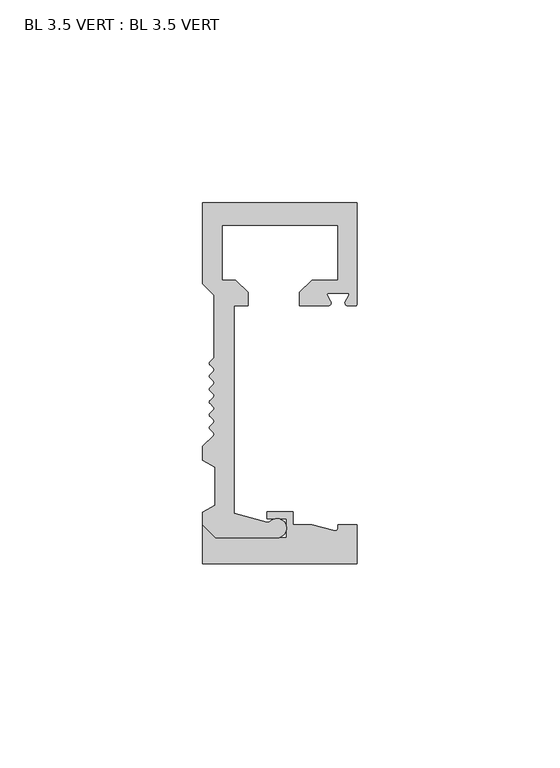
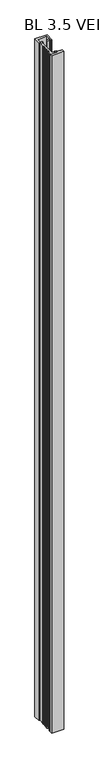
"""IFC4 building model written with IfcOpenShell, lengths in millimetres: furniture geometry, BL 3.5 VERT : BL 3.5 VERT."""

from ifc_helpers import new_model, si_unit, point, frame, frame_2d, origin, origin_with_axes, place, context, project, spatial, polyline, circle_curve, trimmed, segment, composite_curve, outline, extrude, source, transform, mapped, element, save
from ifc_brep_helpers import plane_surface, cylinder_surface, revolved_surface, advanced_brep


def bl_3_5_vert_bl_3_5_vert_9d1a55cc(model_context):
    return source(origin(), model_context, "Body", "SolidModel", [
        advanced_brep(
        [(-11.28848, -32.1005075, 2209.8), (-11.28848, 19.0595255, 2209.8), (-7.88234, 19.0595255, 2209.8), (-7.88234, 22.3615255, 2209.8), (-10.93034, 25.4095256, 2209.8), (-14.23234, 25.4095256, 2209.8), (-14.23234, 38.9032757, 2209.8), (14.3680602, 38.9032757, 2209.8), (14.3680602, 25.4095256, 2209.8), (7.8910601, 25.4095256, 2209.8), (4.8430601, 22.3615255, 2209.8), (4.8430601, 19.0595255, 2209.8), (11.8534602, 19.0595255, 2209.8), (12.5353686, 20.2406255, 2209.8), (11.7141456, 21.6630255, 2209.8), (12.0441012, 22.2345255, 2209.8), (16.6666192, 22.2345255, 2209.8), (16.9965748, 21.6630255, 2209.8), (16.1753518, 20.2406255, 2209.8), (16.8572602, 19.0595255, 2209.8), (18.5500017, 19.0595255, 2209.8), (19.0500017, 19.5595255, 2209.8), (19.0500017, 44.4595257, 2209.8), (-19.0500017, 44.4595257, 2209.8), (-19.0500017, 24.507571, 2209.8), (-16.1961039, 21.6536732, 2209.8), (-16.1961039, 6.7275074, 2209.8), (-16.4889971, 6.0204007, 2209.8), (-17.2722267, 5.2371711, 2209.8), (-17.2722267, 4.5300643, 2209.8), (-16.3918334, 3.6496711, 2209.8), (-16.3918334, 2.9425643, 2209.8), (-17.2722267, 2.0621711, 2209.8), (-17.2722267, 1.3550643, 2209.8), (-16.3918334, 0.4746711, 2209.8), (-16.3918334, -0.2324357, 2209.8), (-17.2722267, -1.112829, 2209.8), (-17.2722267, -1.8199357, 2209.8), (-16.3918334, -2.700329, 2209.8), (-16.3918334, -3.4074358, 2209.8), (-17.2722267, -4.287829, 2209.8), (-17.2722267, -4.9949358, 2209.8), (-16.3918334, -5.875329, 2209.8), (-16.3918334, -6.5824358, 2209.8), (-17.2722267, -7.462829, 2209.8), (-17.2722267, -8.1699358, 2209.8), (-16.3918334, -9.050329, 2209.8), (-16.3918334, -9.7574358, 2209.8), (-17.2722267, -10.637829, 2209.8), (-17.2722267, -11.3449358, 2209.8), (-16.3918334, -12.225329, 2209.8), (-16.3918334, -12.9324358, 2209.8), (-19.0500017, -15.5906041, 2209.8), (-19.0500017, -19.0012949, 2209.8), (-16.03574, -20.7415796, 2209.8), (-16.03574, -30.0393701, 2209.8), (-19.0500017, -31.7796548, 2209.8), (-19.0500017, -34.9345249, 2209.8), (-15.8750014, -38.1095251, 2209.8), (-0.7195399, -38.1095251, 2209.8), (-2.397397, -34.0655108, 2209.8), (-3.1726876, -34.2751275, 2209.8), (-11.28848, -32.1005075, 0.0), (-3.1726876, -34.2751275, 0.0), (-2.397397, -34.0655108, 0.0), (-0.7195399, -38.090475, 0.0), (-15.8750014, -38.1095251, 0.0), (-19.0500017, -34.9345249, 0.0), (-19.0500017, -31.7796548, 0.0), (-16.03574, -30.0393701, 0.0), (-16.03574, -20.7415796, 0.0), (-19.0500017, -19.0012949, 0.0), (-19.0500017, -15.5906041, 0.0), (-16.3918334, -12.9324358, 0.0), (-16.3918334, -12.225329, 0.0), (-17.2722267, -11.3449358, 0.0), (-17.2722267, -10.637829, 0.0), (-16.3918334, -9.7574358, 0.0), (-16.3918334, -9.050329, 0.0), (-17.2722267, -8.1699358, 0.0), (-17.2722267, -7.462829, 0.0), (-16.3918334, -6.5824358, 0.0), (-16.3918334, -5.875329, 0.0), (-17.2722267, -4.9949358, 0.0), (-17.2722267, -4.287829, 0.0), (-16.3918334, -3.4074358, 0.0), (-16.3918334, -2.700329, 0.0), (-17.2722267, -1.8199357, 0.0), (-17.2722267, -1.112829, 0.0), (-16.3918334, -0.2324357, 0.0), (-16.3918334, 0.4746711, 0.0), (-17.2722267, 1.3550643, 0.0), (-17.2722267, 2.0621711, 0.0), (-16.3918334, 2.9425643, 0.0), (-16.3918334, 3.6496711, 0.0), (-17.2722267, 4.5300643, 0.0), (-17.2722267, 5.2371711, 0.0), (-16.4889971, 6.0204007, 0.0), (-16.1961039, 6.7275074, 0.0), (-16.1961039, 21.6536732, 0.0), (-19.0500017, 24.507571, 0.0), (-19.0500017, 44.4595257, 0.0), (19.0500017, 44.4595257, 0.0), (19.0500017, 19.5595255, 0.0), (18.5500017, 19.0595255, 0.0), (16.8572602, 19.0595255, 0.0), (16.1753518, 20.2406255, 0.0), (16.9965748, 21.6630255, 0.0), (16.6666192, 22.2345255, 0.0), (12.0441012, 22.2345255, 0.0), (11.7141456, 21.6630255, 0.0), (12.5353686, 20.2406255, 0.0), (11.8534602, 19.0595255, 0.0), (4.8430601, 19.0595255, 0.0), (4.8430601, 22.3615255, 0.0), (7.8910601, 25.4095256, 0.0), (14.3680602, 25.4095256, 0.0), (14.3680602, 38.9032757, 0.0), (-14.23234, 38.9032757, 0.0), (-14.23234, 25.4095256, 0.0), (-10.93034, 25.4095256, 0.0), (-7.88234, 22.3615255, 0.0), (-7.88234, 19.0595255, 0.0), (-11.28848, 19.0595255, 0.0)],
        [
            (0, 1),
            (1, 2),
            (2, 3),
            (3, 4),
            (4, 5),
            (5, 6),
            (6, 7),
            (7, 8),
            (8, 9),
            (9, 10),
            (10, 11),
            (11, 12),
            (12, 13, circle_curve(frame((11.8534602, 19.8469255, 2209.8), z_axis=(0.0, 0.0, 1.0), x_axis=(1.0, 0.0, 0.0)), 0.7874)),
            (13, 14),
            (14, 15, circle_curve(frame((12.0441012, 21.8535255, 2209.8), z_axis=(0.0, 0.0, -1.0), x_axis=(1.0, 0.0, 0.0)), 0.381)),
            (15, 16),
            (16, 17, circle_curve(frame((16.6666192, 21.8535255, 2209.8), z_axis=(0.0, 0.0, -1.0), x_axis=(1.0, 0.0, 0.0)), 0.381)),
            (17, 18),
            (18, 19, circle_curve(frame((16.8572602, 19.8469255, 2209.8), z_axis=(0.0, 0.0, 1.0), x_axis=(1.0, 0.0, 0.0)), 0.7874)),
            (19, 20),
            (20, 21, circle_curve(frame((18.5500017, 19.5595255, 2209.8), z_axis=(0.0, 0.0, 1.0), x_axis=(1.0, 0.0, 0.0)), 0.5)),
            (21, 22),
            (22, 23),
            (23, 24),
            (24, 25),
            (25, 26),
            (26, 27, circle_curve(frame((-17.1961039, 6.7275074, 2209.8), z_axis=(0.0, 0.0, -1.0), x_axis=(1.0, 0.0, 0.0)), 1.0)),
            (27, 28),
            (28, 29, circle_curve(frame((-16.9186733, 4.8836177, 2209.8), z_axis=(0.0, 0.0, 1.0), x_axis=(1.0, 0.0, 0.0)), 0.5)),
            (29, 30),
            (30, 31, circle_curve(frame((-16.7453868, 3.2961177, 2209.8), z_axis=(0.0, 0.0, -1.0), x_axis=(1.0, 0.0, 0.0)), 0.5)),
            (31, 32),
            (32, 33, circle_curve(frame((-16.9186733, 1.7086177, 2209.8), z_axis=(0.0, 0.0, 1.0), x_axis=(1.0, 0.0, 0.0)), 0.5)),
            (33, 34),
            (34, 35, circle_curve(frame((-16.7453868, 0.1211177, 2209.8), z_axis=(0.0, 0.0, -1.0), x_axis=(1.0, 0.0, 0.0)), 0.5)),
            (35, 36),
            (36, 37, circle_curve(frame((-16.9186733, -1.4663823, 2209.8), z_axis=(0.0, 0.0, 1.0), x_axis=(1.0, 0.0, 0.0)), 0.5)),
            (37, 38),
            (38, 39, circle_curve(frame((-16.7453868, -3.0538824, 2209.8), z_axis=(0.0, 0.0, -1.0), x_axis=(1.0, 0.0, 0.0)), 0.5)),
            (39, 40),
            (40, 41, circle_curve(frame((-16.9186733, -4.6413824, 2209.8), z_axis=(0.0, 0.0, 1.0), x_axis=(1.0, 0.0, 0.0)), 0.5)),
            (41, 42),
            (42, 43, circle_curve(frame((-16.7453868, -6.2288824, 2209.8), z_axis=(0.0, 0.0, -1.0), x_axis=(1.0, 0.0, 0.0)), 0.5)),
            (43, 44),
            (44, 45, circle_curve(frame((-16.9186733, -7.8163824, 2209.8), z_axis=(0.0, 0.0, 1.0), x_axis=(1.0, 0.0, 0.0)), 0.5)),
            (45, 46),
            (46, 47, circle_curve(frame((-16.7453868, -9.4038824, 2209.8), z_axis=(0.0, 0.0, -1.0), x_axis=(1.0, 0.0, 0.0)), 0.5)),
            (47, 48),
            (48, 49, circle_curve(frame((-16.9186733, -10.9913824, 2209.8), z_axis=(0.0, 0.0, 1.0), x_axis=(1.0, 0.0, 0.0)), 0.5)),
            (49, 50),
            (50, 51, circle_curve(frame((-16.7453868, -12.5788824, 2209.8), z_axis=(0.0, 0.0, -1.0), x_axis=(1.0, 0.0, 0.0)), 0.5)),
            (51, 52),
            (52, 53),
            (53, 54),
            (54, 55),
            (55, 56),
            (56, 57),
            (57, 58),
            (58, 59),
            (59, 60, circle_curve(frame((-0.7195399, -35.7282749, 2209.8), z_axis=(0.0, 0.0, 1.0), x_axis=(1.0, 0.0, 0.0)), 2.3622)),
            (60, 61, circle_curve(frame((-2.9656324, -33.5023869, 2209.8), z_axis=(0.0, 0.0, -1.0), x_axis=(1.0, 0.0, 0.0)), 0.8)),
            (61, 0),
            (62, 63),
            (63, 64, circle_curve(frame((-2.9656324, -33.5023869, 0.0), z_axis=(0.0, 0.0, 1.0), x_axis=(1.0, 0.0, 0.0)), 0.8)),
            (64, 65, circle_curve(frame((-0.7195399, -35.7282749, 0.0), z_axis=(0.0, 0.0, -1.0), x_axis=(1.0, 0.0, 0.0)), 2.3622)),
            (65, 66),
            (66, 67),
            (67, 68),
            (68, 69),
            (69, 70),
            (70, 71),
            (71, 72),
            (72, 73),
            (73, 74, circle_curve(frame((-16.7453868, -12.5788824, 0.0), z_axis=(0.0, 0.0, 1.0), x_axis=(1.0, 0.0, 0.0)), 0.5)),
            (74, 75),
            (75, 76, circle_curve(frame((-16.9186733, -10.9913824, 0.0), z_axis=(0.0, 0.0, -1.0), x_axis=(1.0, 0.0, 0.0)), 0.5)),
            (76, 77),
            (77, 78, circle_curve(frame((-16.7453868, -9.4038824, 0.0), z_axis=(0.0, 0.0, 1.0), x_axis=(1.0, 0.0, 0.0)), 0.5)),
            (78, 79),
            (79, 80, circle_curve(frame((-16.9186733, -7.8163824, 0.0), z_axis=(0.0, 0.0, -1.0), x_axis=(1.0, 0.0, 0.0)), 0.5)),
            (80, 81),
            (81, 82, circle_curve(frame((-16.7453868, -6.2288824, 0.0), z_axis=(0.0, 0.0, 1.0), x_axis=(1.0, 0.0, 0.0)), 0.5)),
            (82, 83),
            (83, 84, circle_curve(frame((-16.9186733, -4.6413824, 0.0), z_axis=(0.0, 0.0, -1.0), x_axis=(1.0, 0.0, 0.0)), 0.5)),
            (84, 85),
            (85, 86, circle_curve(frame((-16.7453868, -3.0538824, 0.0), z_axis=(0.0, 0.0, 1.0), x_axis=(1.0, 0.0, 0.0)), 0.5)),
            (86, 87),
            (87, 88, circle_curve(frame((-16.9186733, -1.4663823, 0.0), z_axis=(0.0, 0.0, -1.0), x_axis=(1.0, 0.0, 0.0)), 0.5)),
            (88, 89),
            (89, 90, circle_curve(frame((-16.7453868, 0.1211177, 0.0), z_axis=(0.0, 0.0, 1.0), x_axis=(1.0, 0.0, 0.0)), 0.5)),
            (90, 91),
            (91, 92, circle_curve(frame((-16.9186733, 1.7086177, 0.0), z_axis=(0.0, 0.0, -1.0), x_axis=(1.0, 0.0, 0.0)), 0.5)),
            (92, 93),
            (93, 94, circle_curve(frame((-16.7453868, 3.2961177, 0.0), z_axis=(0.0, 0.0, 1.0), x_axis=(1.0, 0.0, 0.0)), 0.5)),
            (94, 95),
            (95, 96, circle_curve(frame((-16.9186733, 4.8836177, 0.0), z_axis=(0.0, 0.0, -1.0), x_axis=(1.0, 0.0, 0.0)), 0.5)),
            (96, 97),
            (97, 98, circle_curve(frame((-17.1961039, 6.7275074, 0.0), z_axis=(0.0, 0.0, 1.0), x_axis=(1.0, 0.0, 0.0)), 1.0)),
            (98, 99),
            (99, 100),
            (100, 101),
            (101, 102),
            (102, 103),
            (103, 104, circle_curve(frame((18.5500017, 19.5595255, 0.0), z_axis=(0.0, 0.0, -1.0), x_axis=(1.0, 0.0, 0.0)), 0.5)),
            (104, 105),
            (105, 106, circle_curve(frame((16.8572602, 19.8469255, 0.0), z_axis=(0.0, 0.0, -1.0), x_axis=(1.0, 0.0, 0.0)), 0.7874)),
            (106, 107),
            (107, 108, circle_curve(frame((16.6666192, 21.8535255, 0.0), z_axis=(0.0, 0.0, 1.0), x_axis=(1.0, 0.0, 0.0)), 0.381)),
            (108, 109),
            (109, 110, circle_curve(frame((12.0441012, 21.8535255, 0.0), z_axis=(0.0, 0.0, 1.0), x_axis=(1.0, 0.0, 0.0)), 0.381)),
            (110, 111),
            (111, 112, circle_curve(frame((11.8534602, 19.8469255, 0.0), z_axis=(0.0, 0.0, -1.0), x_axis=(1.0, 0.0, 0.0)), 0.7874)),
            (112, 113),
            (113, 114),
            (114, 115),
            (115, 116),
            (116, 117),
            (117, 118),
            (118, 119),
            (119, 120),
            (120, 121),
            (121, 122),
            (122, 123),
            (123, 62),
            (61, 63),
            (62, 0),
            (60, 64),
            (59, 65),
            (58, 66),
            (57, 67),
            (56, 68),
            (55, 69),
            (54, 70),
            (53, 71),
            (52, 72),
            (51, 73),
            (50, 74),
            (49, 75),
            (48, 76),
            (47, 77),
            (46, 78),
            (45, 79),
            (44, 80),
            (43, 81),
            (42, 82),
            (41, 83),
            (40, 84),
            (39, 85),
            (38, 86),
            (37, 87),
            (36, 88),
            (35, 89),
            (34, 90),
            (33, 91),
            (32, 92),
            (31, 93),
            (30, 94),
            (29, 95),
            (28, 96),
            (27, 97),
            (26, 98),
            (25, 99),
            (24, 100),
            (23, 101),
            (22, 102),
            (21, 103),
            (20, 104),
            (19, 105),
            (18, 106),
            (17, 107),
            (16, 108),
            (15, 109),
            (14, 110),
            (13, 111),
            (12, 112),
            (11, 113),
            (10, 114),
            (9, 115),
            (8, 116),
            (7, 117),
            (6, 118),
            (5, 119),
            (4, 120),
            (3, 121),
            (2, 122),
            (1, 123),
        ],
        [
            plane_surface(frame((-2.9263607, -34.3411306, 2209.8), z_axis=(0.0, 0.0, 1.0), x_axis=(0.9659258262898336, -0.2588190450996645, 0.0))),
            plane_surface(frame((-2.9263607, -34.3411306, 0.0), z_axis=(0.0, 0.0, -1.0), x_axis=(-0.9659258262898336, 0.2588190450996645, 0.0))),
            plane_surface(frame((-11.28848, -32.1005075, 2209.8), z_axis=(0.2588190450996645, 0.9659258262898336, 0.0), x_axis=(0.0, 0.0, -1.0))),
            revolved_surface(polyline([(-2.1656324, -33.5023869, 0.0), (-2.1656324, -33.5023869, 2209.8)]), (-2.9656324, -33.5023869, 0.0), (0.0, 0.0, -1.0)),
            cylinder_surface(frame((-0.7195399, -35.7282749, 0.0), z_axis=(0.0, 0.0, 1.0), x_axis=(1.0, 0.0, 0.0)), 2.3622),
            plane_surface(frame((-0.7195399, -38.1095251, 2209.8), z_axis=(0.0, -1.0, 0.0), x_axis=(0.0, 0.0, -1.0))),
            plane_surface(frame((-15.8750014, -38.1095251, 2209.8), z_axis=(-0.7071067811843771, -0.7071067811887181, 0.0), x_axis=(0.0, 0.0, -1.0))),
            plane_surface(frame((-19.0500017, -34.9345249, 2209.8), z_axis=(-1.0, 0.0, 0.0), x_axis=(0.0, 0.0, -1.0))),
            plane_surface(frame((-19.0500017, -31.7796548, 2209.8), z_axis=(-0.5000000000024841, 0.8660254037830044, 0.0), x_axis=(0.0, 0.0, -1.0))),
            plane_surface(frame((-16.03574, -30.0393701, 2209.8), z_axis=(-1.0, 0.0, 0.0), x_axis=(0.0, 0.0, -1.0))),
            plane_surface(frame((-16.03574, -20.7415796, 2209.8), z_axis=(-0.5000000000024832, -0.8660254037830051, 0.0), x_axis=(0.0, 0.0, -1.0))),
            plane_surface(frame((-19.0500017, -19.0012949, 2209.8), z_axis=(-1.0, 0.0, 0.0), x_axis=(0.0, 0.0, -1.0))),
            plane_surface(frame((-19.0500017, -15.5906041, 2209.8), z_axis=(-0.7071067811868401, 0.707106781186255, 0.0), x_axis=(0.0, 0.0, -1.0))),
            revolved_surface(polyline([(-16.2453868, -12.5788824, 0.0), (-16.2453868, -12.5788824, 2209.8)]), (-16.7453868, -12.5788824, 0.0), (0.0, 0.0, -1.0)),
            plane_surface(frame((-16.3918334, -12.225329, 2209.8), z_axis=(-0.707106780584125, -0.7071067817889701, 0.0), x_axis=(0.0, 0.0, -1.0))),
            cylinder_surface(frame((-16.9186733, -10.9913824, 0.0), z_axis=(0.0, 0.0, 1.0), x_axis=(1.0, 0.0, 0.0)), 0.5),
            plane_surface(frame((-17.2722267, -10.637829, 2209.8), z_axis=(-0.7071067808116489, 0.7071067815614462, 0.0), x_axis=(0.0, 0.0, -1.0))),
            revolved_surface(polyline([(-16.2453868, -9.4038824, 0.0), (-16.2453868, -9.4038824, 2209.8)]), (-16.7453868, -9.4038824, 0.0), (0.0, 0.0, -1.0)),
            plane_surface(frame((-16.3918334, -9.050329, 2209.8), z_axis=(-0.7071067822715371, -0.707106780101558, 0.0), x_axis=(0.0, 0.0, -1.0))),
            cylinder_surface(frame((-16.9186733, -7.8163824, 0.0), z_axis=(0.0, 0.0, 1.0), x_axis=(1.0, 0.0, 0.0)), 0.5),
            plane_surface(frame((-17.2722267, -7.462829, 2209.8), z_axis=(-0.7071067806206434, 0.7071067817524517, 0.0), x_axis=(0.0, 0.0, -1.0))),
            revolved_surface(polyline([(-16.2453868, -6.2288824, 0.0), (-16.2453868, -6.2288824, 2209.8)]), (-16.7453868, -6.2288824, 0.0), (0.0, 0.0, -1.0)),
            plane_surface(frame((-16.3918334, -5.875329, 2209.8), z_axis=(-0.7071067804724426, -0.7071067819006525, 0.0), x_axis=(0.0, 0.0, -1.0))),
            cylinder_surface(frame((-16.9186733, -4.6413824, 0.0), z_axis=(0.0, 0.0, 1.0), x_axis=(1.0, 0.0, 0.0)), 0.5),
            plane_surface(frame((-17.2722267, -4.287829, 2209.8), z_axis=(-0.7071067794341835, 0.7071067829389115, 0.0), x_axis=(0.0, 0.0, -1.0))),
            revolved_surface(polyline([(-16.2453868, -3.0538824, 0.0), (-16.2453868, -3.0538824, 2209.8)]), (-16.7453868, -3.0538824, 0.0), (0.0, 0.0, -1.0)),
            plane_surface(frame((-16.3918334, -2.700329, 2209.8), z_axis=(-0.7071067819741493, -0.7071067803989457, 0.0), x_axis=(0.0, 0.0, -1.0))),
            cylinder_surface(frame((-16.9186733, -1.4663823, 0.0), z_axis=(0.0, 0.0, 1.0), x_axis=(1.0, 0.0, 0.0)), 0.5),
            plane_surface(frame((-17.2722267, -1.112829, 2209.8), z_axis=(-0.7071067855469023, 0.7071067768261927, 0.0), x_axis=(0.0, 0.0, -1.0))),
            revolved_surface(polyline([(-16.2453868, 0.1211177, 0.0), (-16.2453868, 0.1211177, 2209.8)]), (-16.7453868, 0.1211177, 0.0), (0.0, 0.0, -1.0)),
            plane_surface(frame((-16.3918334, 0.4746711, 2209.8), z_axis=(-0.7071067815228119, -0.7071067808502832, 0.0), x_axis=(0.0, 0.0, -1.0))),
            cylinder_surface(frame((-16.9186733, 1.7086177, 0.0), z_axis=(0.0, 0.0, 1.0), x_axis=(1.0, 0.0, 0.0)), 0.5),
            plane_surface(frame((-17.2722267, 2.0621711, 2209.8), z_axis=(-0.7071067790960992, 0.7071067832769959, 0.0), x_axis=(0.0, 0.0, -1.0))),
            revolved_surface(polyline([(-16.2453868, 3.2961177, 0.0), (-16.2453868, 3.2961177, 2209.8)]), (-16.7453868, 3.2961177, 0.0), (0.0, 0.0, -1.0)),
            plane_surface(frame((-16.3918334, 3.6496711, 2209.8), z_axis=(-0.7071067807309434, -0.7071067816421517, 0.0), x_axis=(0.0, 0.0, -1.0))),
            cylinder_surface(frame((-16.9186733, 4.8836177, 0.0), z_axis=(0.0, 0.0, 1.0), x_axis=(1.0, 0.0, 0.0)), 0.5),
            plane_surface(frame((-17.2722267, 5.2371711, 2209.8), z_axis=(-0.7071067805608034, 0.7071067818122917, 0.0), x_axis=(0.0, 0.0, -1.0))),
            revolved_surface(polyline([(-16.1961039, 6.7275074, 0.0), (-16.1961039, 6.7275074, 2209.8)]), (-17.1961039, 6.7275074, 0.0), (0.0, 0.0, -1.0)),
            plane_surface(frame((-16.1961039, 6.7275074, 2209.8), z_axis=(-1.0, 0.0, 0.0), x_axis=(0.0, 0.0, -1.0))),
            plane_surface(frame((-16.1961039, 21.6536732, 2209.8), z_axis=(-0.7071067811898468, -0.7071067811832483, 0.0), x_axis=(0.0, 0.0, -1.0))),
            plane_surface(frame((-19.0500017, 24.507571, 2209.8), z_axis=(-1.0, 0.0, 0.0), x_axis=(0.0, 0.0, -1.0))),
            plane_surface(frame((-19.0500017, 44.4595257, 2209.8), z_axis=(0.0, 1.0, 0.0), x_axis=(0.0, 0.0, -1.0))),
            plane_surface(frame((19.0500017, 44.4595257, 2209.8), z_axis=(1.0, 0.0, 0.0), x_axis=(0.0, 0.0, -1.0))),
            cylinder_surface(frame((18.5500017, 19.5595255, 0.0), z_axis=(0.0, 0.0, 1.0), x_axis=(1.0, 0.0, 0.0)), 0.5),
            plane_surface(frame((18.5500017, 19.0595255, 2209.8), z_axis=(6.397120607996362e-12, -1.0, 0.0), x_axis=(0.0, 0.0, -1.0))),
            cylinder_surface(frame((16.8572602, 19.8469255, 0.0), z_axis=(0.0, 0.0, 1.0), x_axis=(1.0, 0.0, 0.0)), 0.7874),
            plane_surface(frame((16.1753518, 20.2406255, 2209.8), z_axis=(-0.866025403790021, 0.49999999999033123, 0.0), x_axis=(0.0, 0.0, -1.0))),
            revolved_surface(polyline([(17.0476192, 21.8535255, 0.0), (17.0476192, 21.8535255, 2209.8)]), (16.6666192, 21.8535255, 0.0), (0.0, 0.0, -1.0)),
            plane_surface(frame((16.6666192, 22.2345255, 2209.8), z_axis=(-1.4055549138679522e-12, -1.0, 0.0), x_axis=(0.0, 0.0, -1.0))),
            revolved_surface(polyline([(12.4251012, 21.8535255, 0.0), (12.4251012, 21.8535255, 2209.8)]), (12.0441012, 21.8535255, 0.0), (0.0, 0.0, -1.0)),
            plane_surface(frame((11.7141456, 21.6630255, 2209.8), z_axis=(0.8660254037870078, 0.4999999999955502, 0.0), x_axis=(0.0, 0.0, -1.0))),
            cylinder_surface(frame((11.8534602, 19.8469255, 0.0), z_axis=(0.0, 0.0, 1.0), x_axis=(1.0, 0.0, 0.0)), 0.7874),
            plane_surface(frame((11.8534602, 19.0595255, 2209.8), z_axis=(0.0, -1.0, 0.0), x_axis=(0.0, 0.0, -1.0))),
            plane_surface(frame((4.8430601, 19.0595255, 2209.8), z_axis=(-1.0, 0.0, 0.0), x_axis=(0.0, 0.0, -1.0))),
            plane_surface(frame((4.8430601, 22.3615255, 2209.8), z_axis=(-0.7071067811867987, 0.7071067811862963, 0.0), x_axis=(0.0, 0.0, -1.0))),
            plane_surface(frame((7.8910601, 25.4095256, 2209.8), z_axis=(0.0, 1.0, 0.0), x_axis=(0.0, 0.0, -1.0))),
            plane_surface(frame((14.3680602, 25.4095256, 2209.8), z_axis=(-1.0, 0.0, 0.0), x_axis=(0.0, 0.0, -1.0))),
            plane_surface(frame((14.3680602, 38.9032757, 2209.8), z_axis=(0.0, -1.0, 0.0), x_axis=(0.0, 0.0, -1.0))),
            plane_surface(frame((-14.23234, 38.9032757, 2209.8), z_axis=(1.0, 0.0, 0.0), x_axis=(0.0, 0.0, -1.0))),
            plane_surface(frame((-14.23234, 25.4095256, 2209.8), z_axis=(0.0, 1.0, 0.0), x_axis=(0.0, 0.0, -1.0))),
            plane_surface(frame((-10.93034, 25.4095256, 2209.8), z_axis=(0.7071067811807693, 0.7071067811923257, 0.0), x_axis=(0.0, 0.0, -1.0))),
            plane_surface(frame((-7.88234, 22.3615255, 2209.8), z_axis=(1.0, 0.0, 0.0), x_axis=(0.0, 0.0, -1.0))),
            plane_surface(frame((-7.88234, 19.0595255, 2209.8), z_axis=(0.0, -1.0, 0.0), x_axis=(0.0, 0.0, -1.0))),
            plane_surface(frame((-11.28848, 19.0595255, 2209.8), z_axis=(1.0, 0.0, 0.0), x_axis=(0.0, 0.0, -1.0))),
        ],
        [
            (0, [[1, 2, 3, 4, 5, 6, 7, 8, 9, 10, 11, 12, 13, 14, 15, 16, 17, 18, 19, 20, 21, 22, 23, 24, 25, 26, 27, 28, 29, 30, 31, 32, 33, 34, 35, 36, 37, 38, 39, 40, 41, 42, 43, 44, 45, 46, 47, 48, 49, 50, 51, 52, 53, 54, 55, 56, 57, 58, 59, 60, 61, 62]]),
            (1, [[63, 64, 65, 66, 67, 68, 69, 70, 71, 72, 73, 74, 75, 76, 77, 78, 79, 80, 81, 82, 83, 84, 85, 86, 87, 88, 89, 90, 91, 92, 93, 94, 95, 96, 97, 98, 99, 100, 101, 102, 103, 104, 105, 106, 107, 108, 109, 110, 111, 112, 113, 114, 115, 116, 117, 118, 119, 120, 121, 122, 123, 124]]),
            (2, [[125, -63, 126, -62]]),
            (3, [[127, -64, -125, -61]]),
            (4, [[128, -65, -127, -60]]),
            (5, [[129, -66, -128, -59]]),
            (6, [[130, -67, -129, -58]]),
            (7, [[131, -68, -130, -57]]),
            (8, [[132, -69, -131, -56]]),
            (9, [[133, -70, -132, -55]]),
            (10, [[134, -71, -133, -54]]),
            (11, [[135, -72, -134, -53]]),
            (12, [[136, -73, -135, -52]]),
            (13, [[137, -74, -136, -51]]),
            (14, [[138, -75, -137, -50]]),
            (15, [[139, -76, -138, -49]]),
            (16, [[140, -77, -139, -48]]),
            (17, [[141, -78, -140, -47]]),
            (18, [[142, -79, -141, -46]]),
            (19, [[143, -80, -142, -45]]),
            (20, [[144, -81, -143, -44]]),
            (21, [[145, -82, -144, -43]]),
            (22, [[146, -83, -145, -42]]),
            (23, [[147, -84, -146, -41]]),
            (24, [[148, -85, -147, -40]]),
            (25, [[149, -86, -148, -39]]),
            (26, [[150, -87, -149, -38]]),
            (27, [[151, -88, -150, -37]]),
            (28, [[152, -89, -151, -36]]),
            (29, [[153, -90, -152, -35]]),
            (30, [[154, -91, -153, -34]]),
            (31, [[155, -92, -154, -33]]),
            (32, [[156, -93, -155, -32]]),
            (33, [[157, -94, -156, -31]]),
            (34, [[158, -95, -157, -30]]),
            (35, [[159, -96, -158, -29]]),
            (36, [[160, -97, -159, -28]]),
            (37, [[161, -98, -160, -27]]),
            (38, [[162, -99, -161, -26]]),
            (39, [[163, -100, -162, -25]]),
            (40, [[164, -101, -163, -24]]),
            (41, [[165, -102, -164, -23]]),
            (42, [[166, -103, -165, -22]]),
            (43, [[167, -104, -166, -21]]),
            (44, [[168, -105, -167, -20]]),
            (45, [[169, -106, -168, -19]]),
            (46, [[170, -107, -169, -18]]),
            (47, [[171, -108, -170, -17]]),
            (48, [[172, -109, -171, -16]]),
            (49, [[173, -110, -172, -15]]),
            (50, [[174, -111, -173, -14]]),
            (51, [[175, -112, -174, -13]]),
            (52, [[176, -113, -175, -12]]),
            (53, [[177, -114, -176, -11]]),
            (54, [[178, -115, -177, -10]]),
            (55, [[179, -116, -178, -9]]),
            (56, [[180, -117, -179, -8]]),
            (57, [[181, -118, -180, -7]]),
            (58, [[182, -119, -181, -6]]),
            (59, [[183, -120, -182, -5]]),
            (60, [[184, -121, -183, -4]]),
            (61, [[185, -122, -184, -3]]),
            (62, [[186, -123, -185, -2]]),
            (63, [[-126, -124, -186, -1]]),
        ],
    ),
        extrude(outline(composite_curve([segment(polyline([(-19.0500017, -44.4595257), (-19.0500017, -34.9345249), (-15.8750014, -38.1095251), (1.6426601, -38.1095251), (1.6426601, -33.3470247), (-3.1198403, -33.3470247), (-3.1198403, -31.7362356), (3.2301602, -31.7362356), (3.2301602, -34.9345249), (7.9375007, -34.9345249), (13.6310749, -36.3579184)]), True, "CONTINUOUS"), segment(trimmed(circle_curve(frame_2d((13.7592055, -35.8453962)), 0.5282958), [point((13.6310749, -36.3579184))], [point((14.2875013, -35.8453962))], True, "CARTESIAN"), True, "CONTINUOUS"), segment(polyline([(14.2875013, -35.8453962), (14.2875013, -34.9345249), (19.0500017, -34.9345249), (19.0500017, -44.4595257), (-19.0500017, -44.4595257)]), True, "CONTINUOUS")], self_intersect=False)), origin_with_axes(), (0.0, 0.0, 1.0), 2209.8),
    ])


if __name__ == "__main__":
    model = new_model("IFC4")
    model_context = context("Model", 3, world=origin())
    ifc_project = project(units=[si_unit("LENGTHUNIT", "METRE", prefix="MILLI")], contexts=[model_context])
    site = spatial("IfcSite", under=ifc_project)
    building = spatial("IfcBuilding", under=site)
    placement = place(None, origin())
    bl_3_5_vert_bl_3_5_vert_shape = bl_3_5_vert_bl_3_5_vert_9d1a55cc(model_context)
    element("IfcFurniture", 1, ObjectType="BL 3.5 VERT : BL 3.5 VERT", at=placement, inside=building, context=model_context, shape_type="MappedRepresentation", body=[
        mapped(bl_3_5_vert_bl_3_5_vert_shape, transform((0.0, 0.0, 0.0), x_axis=(1.0, 0.0, 0.0), y_axis=(0.0, 1.0, 0.0), z_axis=(0.0, 0.0, 1.0))),
    ])
    save(model, "model.ifc")
